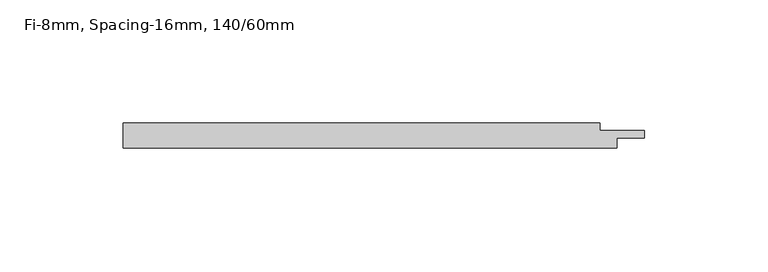
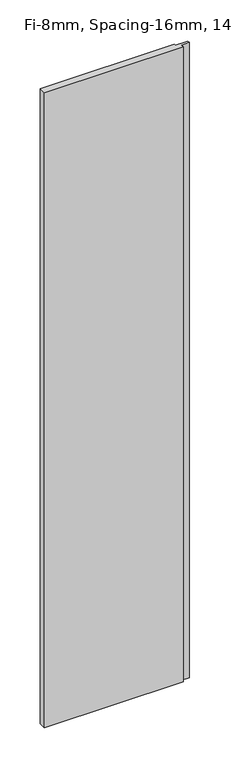
"""IFC4 building model written with IfcOpenShell, lengths in millimetres: plate geometry, Fi-8mm, Spacing-16mm, 140/60mm."""

import ifcopenshell
import ifcopenshell.guid

model = None  # the IFC model being written
_history = None  # IfcOwnerHistory: only IFC2X3 demands one
_inside = {}  # id of a spatial element -> (the spatial element, [elements in it])
_under = {}  # id of a project, library or spatial element -> (it, [spatial elements below it])
_declared = {}  # id of a project -> (the project, [libraries it declares])
_typed = {}  # id of a type object -> (the type object, [elements of that type])
_made_of = {}  # id of a material, layer set ... -> (it, [elements and type objects made of it])


def new_model(schema):
    """Start an empty IFC model of exactly this schema.

    Asked for "IFC4X3", IfcOpenShell would pick the latest addendum, in which some entities
    have other attributes; the version numbers below select the first issue.
    IFC2X3 requires an IfcOwnerHistory on every rooted entity: one is made here for all.
    """
    global model, _history
    if schema == "IFC4X3":
        model = ifcopenshell.file(schema_version=(4, 3, 0, 0))
    else:
        model = ifcopenshell.file(schema=schema)
    _inside.clear()
    _under.clear()
    _declared.clear()
    _typed.clear()
    _made_of.clear()
    _history = None
    if model.schema == "IFC2X3":
        org = make("IfcOrganization", Name="unknown")
        user = make(
            "IfcPersonAndOrganization",
            ThePerson=make("IfcPerson", FamilyName="unknown"),
            TheOrganization=org,
        )
        app = make(
            "IfcApplication",
            ApplicationDeveloper=org,
            Version="unknown",
            ApplicationFullName="unknown",
            ApplicationIdentifier="unknown",
        )
        _history = make(
            "IfcOwnerHistory",
            OwningUser=user,
            OwningApplication=app,
            ChangeAction="ADDED",
            CreationDate=0,
        )
    return model


def make(cls, **values):
    """One entity of the class cls with the attributes given. An attribute that is None is left unset."""
    return model.create_entity(
        cls, **{name: value for name, value in values.items() if value is not None}
    )


def rooted(cls, **values):
    """An entity with a GlobalId (a new one), such as an element, a storey or a relation."""
    return make(cls, GlobalId=ifcopenshell.guid.new(), OwnerHistory=_history, **values)


def si_unit(unit_type, name, prefix=None):
    """IfcSIUnit, for example si_unit("LENGTHUNIT", "METRE", prefix="MILLI")."""
    return make("IfcSIUnit", UnitType=unit_type, Prefix=prefix, Name=name)


def assignment(units):
    """IfcUnitAssignment: the units of a project."""
    return None if units is None else make("IfcUnitAssignment", Units=units)


def point(xyz):
    """IfcCartesianPoint."""
    return None if xyz is None else make("IfcCartesianPoint", Coordinates=xyz)


def direction(xyz):
    """IfcDirection."""
    return None if xyz is None else make("IfcDirection", DirectionRatios=xyz)


def frame(location, z_axis=None, x_axis=None):
    """IfcAxis2Placement3D, a coordinate frame: its origin and axes. An axis left out is left unset."""
    return make(
        "IfcAxis2Placement3D",
        Location=point(location),
        Axis=direction(z_axis),
        RefDirection=direction(x_axis),
    )


def origin():
    """The frame at (0, 0, 0) with its axes left unset."""
    return frame((0.0, 0.0, 0.0))


def origin_with_axes():
    """The frame at (0, 0, 0) with the z axis (0, 0, 1) and the x axis (1, 0, 0) written out."""
    return frame((0.0, 0.0, 0.0), z_axis=(0.0, 0.0, 1.0), x_axis=(1.0, 0.0, 0.0))


def place(relative_to, where):
    """IfcLocalPlacement: puts the frame where relative to a parent placement (None: the world)."""
    return make(
        "IfcLocalPlacement", PlacementRelTo=relative_to, RelativePlacement=where
    )


def context(
    kind, dimensions, precision=None, world=None, true_north=None, identifier=None
):
    """IfcGeometricRepresentationContext, for example the 3D "Model" context."""
    return make(
        "IfcGeometricRepresentationContext",
        ContextIdentifier=identifier,
        ContextType=kind,
        CoordinateSpaceDimension=dimensions,
        Precision=precision,
        WorldCoordinateSystem=world,
        TrueNorth=true_north,
    )


def project(units=None, contexts=None):
    """IfcProject with its units and contexts."""
    return rooted(
        "IfcProject",
        Name="project",
        RepresentationContexts=contexts,
        UnitsInContext=assignment(units),
    )


def spatial(cls, under=None, at=None, **own):
    """A site, building, storey or space (cls), placed at a placement, below another one or the project."""
    s = rooted(cls, ObjectPlacement=at, **own)
    if under is not None:
        _under.setdefault(under.id(), (under, []))[1].append(s)
    return s


def polyline(points):
    """IfcPolyline through the points."""
    return make("IfcPolyline", Points=[point(p) for p in points])


def outline(outer, holes=None, kind="AREA"):
    """IfcArbitraryClosedProfileDef: a profile drawn as a closed curve; with holes, ...WithVoids."""
    if holes is None:
        return make("IfcArbitraryClosedProfileDef", ProfileType=kind, OuterCurve=outer)
    return make(
        "IfcArbitraryProfileDefWithVoids",
        ProfileType=kind,
        OuterCurve=outer,
        InnerCurves=holes,
    )


def extrude(swept, where, along, depth):
    """IfcExtrudedAreaSolid: the profile swept, set in the frame where, extruded along a direction by depth."""
    return make(
        "IfcExtrudedAreaSolid",
        SweptArea=swept,
        Position=where,
        ExtrudedDirection=direction(along),
        Depth=depth,
    )


def shape(context_of_items, identifier, shape_type, items):
    """IfcShapeRepresentation: the items that make up one representation, for example the "Body"."""
    return make(
        "IfcShapeRepresentation",
        ContextOfItems=context_of_items,
        RepresentationIdentifier=identifier,
        RepresentationType=shape_type,
        Items=items,
    )


def source(mapping_origin, context_of_items, identifier, shape_type, items):
    """IfcRepresentationMap: a shape defined once, which mapped items show again and again."""
    return make(
        "IfcRepresentationMap",
        MappingOrigin=mapping_origin,
        MappedRepresentation=shape(context_of_items, identifier, shape_type, items),
    )


def transform(
    local_origin,
    x_axis=None,
    y_axis=None,
    z_axis=None,
    scale=None,
    scale2=None,
    scale3=None,
    uniform=True,
):
    """IfcCartesianTransformationOperator3D, or its non-uniform kind. x_axis, y_axis, z_axis: its Axis1, 2, 3."""
    if uniform:
        return make(
            "IfcCartesianTransformationOperator3D",
            Axis1=direction(x_axis),
            Axis2=direction(y_axis),
            LocalOrigin=point(local_origin),
            Scale=scale,
            Axis3=direction(z_axis),
        )
    return make(
        "IfcCartesianTransformationOperator3DnonUniform",
        Axis1=direction(x_axis),
        Axis2=direction(y_axis),
        LocalOrigin=point(local_origin),
        Scale=scale,
        Axis3=direction(z_axis),
        Scale2=scale2,
        Scale3=scale3,
    )


def mapped(mapping_source, mapping_target):
    """IfcMappedItem: shows the shape of a source again, moved by a transform."""
    return make(
        "IfcMappedItem", MappingSource=mapping_source, MappingTarget=mapping_target
    )


def made_of(thing, what):
    """Note that an element or type object is made of a material, layer set ...; save() writes the relation."""
    if what is not None:
        _made_of.setdefault(what.id(), (what, []))[1].append(thing)
    return thing


def element(
    cls,
    number,
    at=None,
    inside=None,
    cuts=None,
    type_object=None,
    material=None,
    context=None,
    identifier="Body",
    shape_type=None,
    held_by="IfcProductDefinitionShape",
    body=None,
    shapes=None,
    **own,
):
    """One element of the class cls, such as IfcWall. Its Tag is "e" and its number.

    at: its placement. inside: the storey or other place that contains it. cuts: it is an
    opening in that element (IfcRelVoidsElement). A single representation is given by context,
    identifier, shape_type and body (its items); several are given by shapes. held_by: the class
    of the entity that holds the representations. save() writes the other relations.
    """
    e = rooted(cls, Tag="e%d" % number, ObjectPlacement=at, **own)
    if body is not None:
        shapes = [shape(context, identifier, shape_type, body)]
    if shapes is not None:
        e.Representation = make(held_by, Representations=shapes)
    if inside is not None:
        _inside.setdefault(inside.id(), (inside, []))[1].append(e)
    if cuts is not None:
        rooted(
            "IfcRelVoidsElement", RelatingBuildingElement=cuts, RelatedOpeningElement=e
        )
    if type_object is not None:
        _typed.setdefault(type_object.id(), (type_object, []))[1].append(e)
    return made_of(e, material)


def aggregate(whole, parts):
    """IfcRelAggregates: a whole, such as a stair, and the parts it consists of."""
    return rooted("IfcRelAggregates", RelatingObject=whole, RelatedObjects=parts)


def save(model, path):
    """Write the relations noted so far, then the file.

    IfcRelAggregates (storeys below a building ...), IfcRelContainedInSpatialStructure (elements
    in a storey), IfcRelDefinesByType, IfcRelAssociatesMaterial and IfcRelDeclares: one each for
    every whole, place, type object, material and project.
    """
    for whole, parts in _under.values():
        aggregate(whole, parts)
    for where, things in _inside.values():
        rooted(
            "IfcRelContainedInSpatialStructure",
            RelatedElements=things,
            RelatingStructure=where,
        )
    for kind, things in _typed.values():
        rooted("IfcRelDefinesByType", RelatedObjects=things, RelatingType=kind)
    for what, things in _made_of.values():
        rooted("IfcRelAssociatesMaterial", RelatedObjects=things, RelatingMaterial=what)
    for by, libraries in _declared.values():
        rooted("IfcRelDeclares", RelatingContext=by, RelatedDefinitions=libraries)
    model.write(path)


def fi_8mm_spacing_16mm_140_60mm_7e626b01(model_context):
    return source(origin(), model_context, "Body", "SweptSolid", [
        extrude(outline(polyline([(-100.0, -5.0), (-100.0, 5.0), (93.0, 5.0), (93.0, 2.0), (111.0, 2.0), (111.0, -1.0), (100.0, -1.0), (100.0, -5.0), (-100.0, -5.0)])), origin_with_axes(), (0.0, 0.0, 1.0), 966.8),
    ])


if __name__ == "__main__":
    model = new_model("IFC4")
    model_context = context("Model", 3, world=origin())
    ifc_project = project(units=[si_unit("LENGTHUNIT", "METRE", prefix="MILLI")], contexts=[model_context])
    site = spatial("IfcSite", under=ifc_project)
    building = spatial("IfcBuilding", under=site)
    placement = place(None, origin())
    fi_8mm_spacing_16mm_140_60mm_shape = fi_8mm_spacing_16mm_140_60mm_7e626b01(model_context)
    element("IfcPlate", 1, ObjectType="Fi-8mm, Spacing-16mm, 140/60mm", at=placement, inside=building, context=model_context, shape_type="MappedRepresentation", body=[
        mapped(fi_8mm_spacing_16mm_140_60mm_shape, transform((0.0, 0.0, 0.0), x_axis=(1.0, 0.0, 0.0), y_axis=(0.0, 1.0, 0.0), z_axis=(0.0, 0.0, 1.0))),
    ])
    save(model, "model.ifc")
